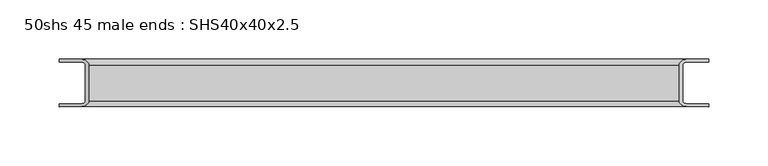
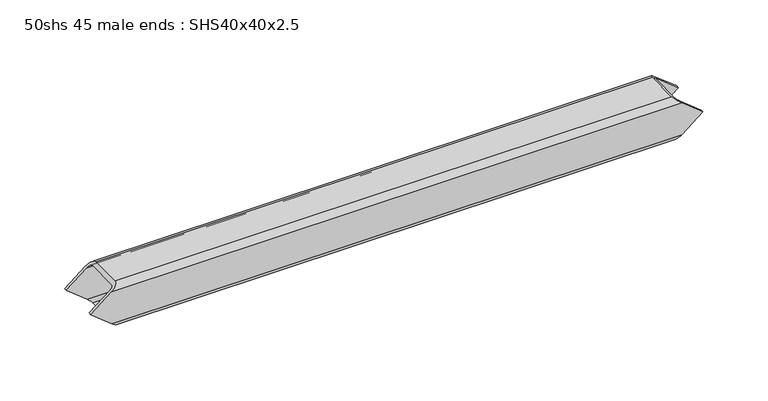
"""IFC4 building model written with IfcOpenShell, lengths in millimetres: beam geometry, 50shs 45 male ends : SHS40x40x2.5."""

from ifc_helpers import new_model, si_unit, frame, origin, place, context, project, spatial, polyline, ellipse_curve, source, transform, mapped, element, save
from ifc_brep_helpers import plane_surface, cylinder_surface, revolved_surface, advanced_brep


def beam_50shs_45_male_ends_shs40x40x2_5_04e9a04e(model_context):
    return source(origin(), model_context, "Body", "AdvancedBrep", [
        advanced_brep(
        [(-254.25, 20.0, 15.0), (-248.0, 15.0, 20.0), (248.0, 15.0, 20.0), (254.25, 20.0, 15.0), (-248.0, -15.0, 20.0), (248.0, -15.0, 20.0), (-254.25, -20.0, 15.0), (254.25, -20.0, 15.0), (-273.0, -20.0, 0.0), (-254.25, -20.0, -15.0), (254.25, -20.0, -15.0), (273.0, -20.0, 0.0), (-248.0, -15.0, -20.0), (248.0, -15.0, -20.0), (-248.0, 15.0, -20.0), (248.0, 15.0, -20.0), (-254.25, 20.0, -15.0), (254.25, 20.0, -15.0), (-273.0, 20.0, 0.0), (273.0, 20.0, 0.0), (-251.125, -15.0, 17.5), (-251.125, 15.0, 17.5), (251.125, 15.0, 17.5), (251.125, -15.0, 17.5), (-254.25, 17.5, 15.0), (254.25, 17.5, 15.0), (-273.0, 17.5, 0.0), (-254.25, 17.5, -15.0), (254.25, 17.5, -15.0), (273.0, 17.5, 0.0), (-251.125, 15.0, -17.5), (251.125, 15.0, -17.5), (-251.125, -15.0, -17.5), (251.125, -15.0, -17.5), (-254.25, -17.5, -15.0), (254.25, -17.5, -15.0), (-273.0, -17.5, 0.0), (-254.25, -17.5, 15.0), (254.25, -17.5, 15.0), (273.0, -17.5, 0.0)],
        [
            (0, 1, ellipse_curve(frame((-254.25, 15.0, 15.0), z_axis=(0.6246950475546855, 0.0, -0.7808688094428213), x_axis=(0.7808688094428212, 0.0, 0.6246950475546854)), 8.0039053, 5.0)),
            (1, 2),
            (2, 3, ellipse_curve(frame((254.25, 15.0, 15.0), z_axis=(-0.6246950475543307, 0.0, -0.7808688094431052), x_axis=(0.7808688094431052, 0.0, -0.6246950475543308)), 8.0039053, 5.0)),
            (3, 0),
            (1, 4),
            (4, 5),
            (5, 2),
            (4, 6, ellipse_curve(frame((-254.25, -15.0, 15.0), z_axis=(0.6246950475546855, 0.0, -0.7808688094428213), x_axis=(0.7808688094428212, 0.0, 0.6246950475546854)), 8.0039053, 5.0)),
            (6, 7),
            (7, 5, ellipse_curve(frame((254.25, -15.0, 15.0), z_axis=(-0.6246950475543307, 0.0, -0.7808688094431052), x_axis=(0.7808688094431052, 0.0, -0.6246950475543308)), 8.0039053, 5.0)),
            (6, 8),
            (8, 9),
            (9, 10),
            (10, 11),
            (11, 7),
            (9, 12, ellipse_curve(frame((-254.25, -15.0, -15.0), z_axis=(0.6246950475551418, 0.0, 0.7808688094424563), x_axis=(0.7808688094424563, 0.0, -0.6246950475551418)), 8.0039053, 5.0)),
            (12, 13),
            (13, 10, ellipse_curve(frame((254.25, -15.0, -15.0), z_axis=(-0.6246950475541198, 0.0, 0.780868809443274), x_axis=(0.7808688094432739, 0.0, 0.6246950475541198)), 8.0039053, 5.0)),
            (12, 14),
            (14, 15),
            (15, 13),
            (14, 16, ellipse_curve(frame((-254.25, 15.0, -15.0), z_axis=(0.6246950475551418, 0.0, 0.7808688094424563), x_axis=(0.7808688094424563, 0.0, -0.6246950475551418)), 8.0039053, 5.0)),
            (16, 17),
            (17, 15, ellipse_curve(frame((254.25, 15.0, -15.0), z_axis=(-0.6246950475541198, 0.0, 0.780868809443274), x_axis=(0.7808688094432739, 0.0, 0.6246950475541198)), 8.0039053, 5.0)),
            (18, 0),
            (3, 19),
            (19, 17),
            (16, 18),
            (20, 21),
            (21, 22),
            (22, 23),
            (23, 20),
            (21, 24, ellipse_curve(frame((-254.25, 15.0, 15.0), z_axis=(-0.6246950475546855, 0.0, 0.7808688094428213), x_axis=(-0.7808688094428212, 0.0, -0.6246950475546854)), 4.0019526, 2.5)),
            (24, 25),
            (25, 22, ellipse_curve(frame((254.25, 15.0, 15.0), z_axis=(0.6246950475543307, 0.0, 0.7808688094431052), x_axis=(-0.7808688094431052, 0.0, 0.6246950475543308)), 4.0019526, 2.5)),
            (24, 26),
            (26, 27),
            (27, 28),
            (28, 29),
            (29, 25),
            (27, 30, ellipse_curve(frame((-254.25, 15.0, -15.0), z_axis=(-0.6246950475551418, 0.0, -0.7808688094424563), x_axis=(-0.7808688094424563, 0.0, 0.6246950475551418)), 4.0019526, 2.5)),
            (30, 31),
            (31, 28, ellipse_curve(frame((254.25, 15.0, -15.0), z_axis=(0.6246950475541198, 0.0, -0.780868809443274), x_axis=(-0.7808688094432739, 0.0, -0.6246950475541198)), 4.0019526, 2.5)),
            (30, 32),
            (32, 33),
            (33, 31),
            (32, 34, ellipse_curve(frame((-254.25, -15.0, -15.0), z_axis=(-0.6246950475551418, 0.0, -0.7808688094424563), x_axis=(-0.7808688094424563, 0.0, 0.6246950475551418)), 4.0019526, 2.5)),
            (34, 35),
            (35, 33, ellipse_curve(frame((254.25, -15.0, -15.0), z_axis=(0.6246950475541198, 0.0, -0.780868809443274), x_axis=(-0.7808688094432739, 0.0, -0.6246950475541198)), 4.0019526, 2.5)),
            (36, 37),
            (37, 38),
            (38, 39),
            (39, 35),
            (34, 36),
            (37, 20, ellipse_curve(frame((-254.25, -15.0, 15.0), z_axis=(-0.6246950475546855, 0.0, 0.7808688094428213), x_axis=(-0.7808688094428212, 0.0, -0.6246950475546854)), 4.0019526, 2.5)),
            (23, 38, ellipse_curve(frame((254.25, -15.0, 15.0), z_axis=(0.6246950475543307, 0.0, 0.7808688094431052), x_axis=(-0.7808688094431052, 0.0, 0.6246950475543308)), 4.0019526, 2.5)),
            (18, 26),
            (36, 8),
            (11, 39),
            (29, 19),
        ],
        [
            cylinder_surface(frame((273.0, 15.0, 15.0), z_axis=(1.0, 0.0, 0.0), x_axis=(0.0, -1.0, 0.0)), 5.0),
            plane_surface(frame((273.0, 15.0, 20.0), z_axis=(0.0, 0.0, 1.0), x_axis=(-1.0, 0.0, 0.0))),
            cylinder_surface(frame((273.0, -15.0, 15.0), z_axis=(1.0, 0.0, 0.0), x_axis=(0.0, -1.0, 0.0)), 5.0),
            plane_surface(frame((273.0, -20.0, 15.0), z_axis=(0.0, -1.0, 0.0), x_axis=(-1.0, 0.0, 0.0))),
            cylinder_surface(frame((273.0, -15.0, -15.0), z_axis=(1.0, 0.0, 0.0), x_axis=(0.0, -1.0, 0.0)), 5.0),
            plane_surface(frame((273.0, -15.0, -20.0), z_axis=(0.0, 0.0, -1.0), x_axis=(-1.0, 0.0, 0.0))),
            cylinder_surface(frame((273.0, 15.0, -15.0), z_axis=(1.0, 0.0, 0.0), x_axis=(0.0, -1.0, 0.0)), 5.0),
            plane_surface(frame((273.0, 20.0, -15.0), z_axis=(0.0, 1.0, 0.0), x_axis=(-1.0, 0.0, 0.0))),
            plane_surface(frame((273.0, -15.0, 17.5), z_axis=(0.0, 0.0, -1.0), x_axis=(-1.0, 0.0, 0.0))),
            revolved_surface(polyline([(-257.37499996220856, 12.5, 15.0), (257.37499996220976, 12.5, 15.0)]), (273.0, 15.0, 15.0), (-1.0, 0.0, 0.0)),
            plane_surface(frame((273.0, 17.5, 15.0), z_axis=(0.0, -1.0, 0.0), x_axis=(-1.0, 0.0, 0.0))),
            revolved_surface(polyline([(-257.3749999622072, 12.5, -15.0), (257.37499996221044, 12.5, -15.0)]), (273.0, 15.0, -15.0), (-1.0, 0.0, 0.0)),
            plane_surface(frame((273.0, 15.0, -17.5), z_axis=(0.0, 0.0, 1.0), x_axis=(-1.0, 0.0, 0.0))),
            revolved_surface(polyline([(-257.3749999622072, -17.5, -15.0), (257.37499996221044, -17.5, -15.0)]), (273.0, -15.0, -15.0), (-1.0, 0.0, 0.0)),
            plane_surface(frame((273.0, -17.5, -15.0), z_axis=(0.0, 1.0, 0.0), x_axis=(-1.0, 0.0, 0.0))),
            revolved_surface(polyline([(-257.37499996220856, -17.5, 15.0), (257.37499996220976, -17.5, 15.0)]), (273.0, -15.0, 15.0), (-1.0, 0.0, 0.0)),
            plane_surface(frame((-273.0, -25.0, 0.0), z_axis=(-0.6246950475546855, 0.0, 0.7808688094428213), x_axis=(0.0, 1.0, 0.0))),
            plane_surface(frame((-248.0, -25.0, -20.0), z_axis=(-0.6246950475551418, 0.0, -0.7808688094424563), x_axis=(0.0, 1.0, 0.0))),
            plane_surface(frame((248.0, -25.0, 20.0), z_axis=(0.6246950475543307, 0.0, 0.7808688094431052), x_axis=(0.0, 1.0, 0.0))),
            plane_surface(frame((273.0, -25.0, 0.0), z_axis=(0.6246950475541198, 0.0, -0.780868809443274), x_axis=(0.0, 1.0, 0.0))),
        ],
        [
            (0, [[1, 2, 3, 4]]),
            (1, [[5, 6, 7, -2]]),
            (2, [[8, 9, 10, -6]]),
            (3, [[11, 12, 13, 14, 15, -9]]),
            (4, [[16, 17, 18, -13]]),
            (5, [[19, 20, 21, -17]]),
            (6, [[22, 23, 24, -20]]),
            (7, [[25, -4, 26, 27, -23, 28]]),
            (8, [[29, 30, 31, 32]]),
            (9, [[33, 34, 35, -30]]),
            (10, [[36, 37, 38, 39, 40, -34]]),
            (11, [[41, 42, 43, -38]]),
            (12, [[44, 45, 46, -42]]),
            (13, [[47, 48, 49, -45]]),
            (14, [[50, 51, 52, 53, -48, 54]]),
            (15, [[55, -32, 56, -51]]),
            (16, [[-1, -25, 57, -36, -33, -29, -55, -50, 58, -11, -8, -5]]),
            (17, [[-12, -58, -54, -47, -44, -41, -37, -57, -28, -22, -19, -16]]),
            (18, [[-3, -7, -10, -15, 59, -52, -56, -31, -35, -40, 60, -26]]),
            (19, [[-14, -18, -21, -24, -27, -60, -39, -43, -46, -49, -53, -59]]),
        ],
    ),
    ])


if __name__ == "__main__":
    model = new_model("IFC4")
    model_context = context("Model", 3, world=origin())
    ifc_project = project(units=[si_unit("LENGTHUNIT", "METRE", prefix="MILLI")], contexts=[model_context])
    site = spatial("IfcSite", under=ifc_project)
    building = spatial("IfcBuilding", under=site)
    placement = place(None, origin())
    beam_50shs_45_male_ends_shs40x40x2_5_shape = beam_50shs_45_male_ends_shs40x40x2_5_04e9a04e(model_context)
    element("IfcBeam", 1, ObjectType="50shs 45 male ends : SHS40x40x2.5", at=placement, inside=building, context=model_context, shape_type="MappedRepresentation", body=[
        mapped(beam_50shs_45_male_ends_shs40x40x2_5_shape, transform((0.0, 0.0, 0.0), x_axis=(1.0, 0.0, 0.0), y_axis=(0.0, 1.0, 0.0), z_axis=(0.0, 0.0, 1.0))),
    ])
    save(model, "model.ifc")
